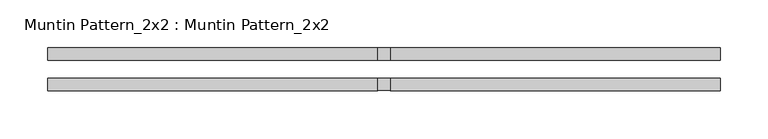
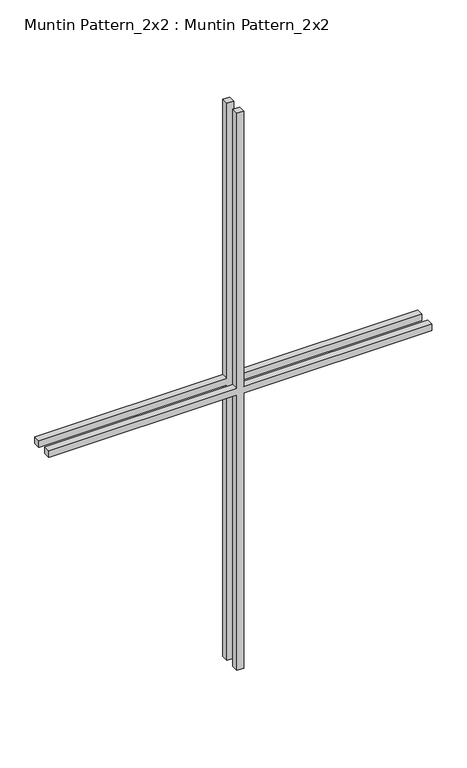
"""IFC4 building model written with IfcOpenShell, lengths in millimetres: proxy geometry, Muntin Pattern_2x2 : Muntin Pattern_2x2."""

from ifc_helpers import new_model, si_unit, frame, origin, place, context, project, spatial, polyline, outline, extrude, source, transform, mapped, element, save


def muntin_pattern_2x2_muntin_pattern_2x2_c9525814(model_context):
    return source(origin(), model_context, "Body", "SweptSolid", [
        extrude(outline(polyline([(546.1, -6.35), (546.1, -350.8375), (533.4, -350.8375), (533.4, -6.35), (0.0, -6.35), (0.0, 6.35), (533.4, 6.35), (533.4, 350.8375), (546.1, 350.8375), (546.1, 6.35), (1079.5, 6.35), (1079.5, -6.35), (546.1, -6.35)])), frame((0.0, 9.525, 0.0), z_axis=(0.0, 1.0, 0.0), x_axis=(0.0, 0.0, 1.0)), (0.0, 0.0, 1.0), 12.7),
        extrude(outline(polyline([(546.1, -6.35), (546.1, -350.8375), (533.4, -350.8375), (533.4, -6.35), (0.0, -6.35), (0.0, 6.35), (533.4, 6.35), (533.4, 350.8375), (546.1, 350.8375), (546.1, 6.35), (1079.5, 6.35), (1079.5, -6.35), (546.1, -6.35)])), frame((0.0, -22.225, 0.0), z_axis=(0.0, 1.0, 0.0), x_axis=(0.0, 0.0, 1.0)), (0.0, 0.0, 1.0), 12.7),
    ])


if __name__ == "__main__":
    model = new_model("IFC4")
    model_context = context("Model", 3, world=origin())
    ifc_project = project(units=[si_unit("LENGTHUNIT", "METRE", prefix="MILLI")], contexts=[model_context])
    site = spatial("IfcSite", under=ifc_project)
    building = spatial("IfcBuilding", under=site)
    placement = place(None, origin())
    muntin_pattern_2x2_muntin_pattern_2x2_shape = muntin_pattern_2x2_muntin_pattern_2x2_c9525814(model_context)
    element("IfcBuildingElementProxy", 1, Name="Muntin Pattern_2x2 : Muntin Pattern_2x2", ObjectType="Muntin Pattern_2x2 : Muntin Pattern_2x2", at=placement, inside=building, context=model_context, shape_type="MappedRepresentation", body=[
        mapped(muntin_pattern_2x2_muntin_pattern_2x2_shape, transform((0.0, 0.0, 0.0), x_axis=(1.0, 0.0, 0.0), y_axis=(0.0, 1.0, 0.0), z_axis=(0.0, 0.0, 1.0))),
    ])
    save(model, "model.ifc")
